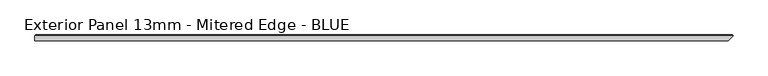
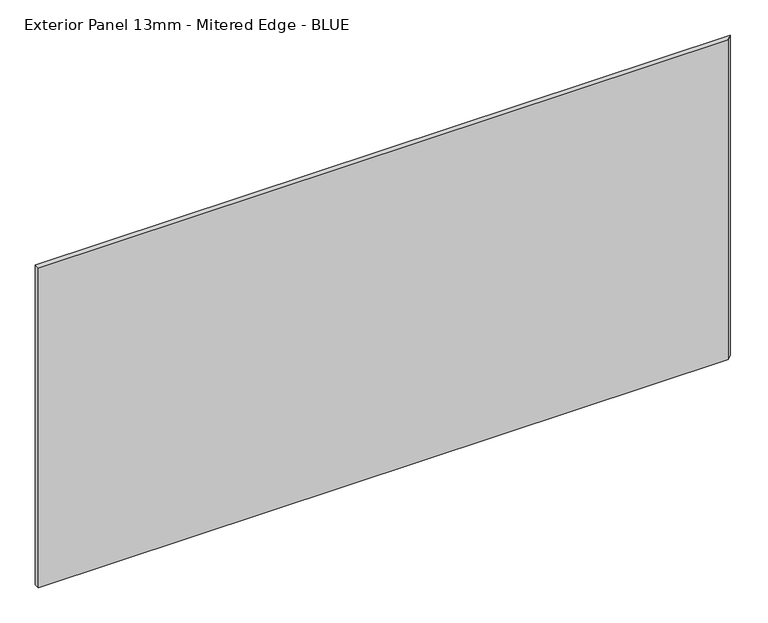
"""IFC4 building model written with IfcOpenShell, lengths in millimetres: proxy geometry, Exterior Panel 13mm - Mitered Edge - BLUE."""

from ifc_helpers import new_model, si_unit, origin, place, context, project, spatial, faceted_brep, source, transform, mapped, element, save


def exterior_panel_13mm_mitered_edge_blue_a4cb4c00(model_context):
    return source(origin(), model_context, "Body", "Brep", [
        faceted_brep([(1087.4375, -6.35, 757.2375), (1098.55, 4.7625, 757.2375), (-457.2, 4.7625, 757.2375), (-457.2, -6.35, 757.2375), (1087.4375, -6.35, 0.0), (-457.2, -6.35, 0.0), (-457.2, 4.7625, 0.0), (1098.55, 4.7625, 0.0), (-455.6125, 6.35, 755.65), (1096.9625, 6.35, 755.65), (1096.9625, 6.35, 1.5875), (-455.6125, 6.35, 1.5875)], [[[0, 1, 2, 3]], [[4, 5, 6, 7]], [[3, 5, 4, 0]], [[2, 6, 5, 3]], [[8, 9, 10, 11]], [[2, 8, 11, 6]], [[7, 10, 9, 1]], [[1, 9, 8, 2]], [[6, 11, 10, 7]], [[0, 4, 7, 1]]]),
    ])


if __name__ == "__main__":
    model = new_model("IFC4")
    model_context = context("Model", 3, world=origin())
    ifc_project = project(units=[si_unit("LENGTHUNIT", "METRE", prefix="MILLI")], contexts=[model_context])
    site = spatial("IfcSite", under=ifc_project)
    building = spatial("IfcBuilding", under=site)
    placement = place(None, origin())
    exterior_panel_13mm_mitered_edge_blue_shape = exterior_panel_13mm_mitered_edge_blue_a4cb4c00(model_context)
    element("IfcBuildingElementProxy", 1, Name="Exterior Panel 13mm - Mitered Edge - BLUE", ObjectType="Exterior Panel 13mm - Mitered Edge - BLUE", at=placement, inside=building, context=model_context, shape_type="MappedRepresentation", body=[
        mapped(exterior_panel_13mm_mitered_edge_blue_shape, transform((0.0, 0.0, 0.0), x_axis=(1.0, 0.0, 0.0), y_axis=(0.0, 1.0, 0.0), z_axis=(0.0, 0.0, 1.0))),
    ])
    save(model, "model.ifc")
